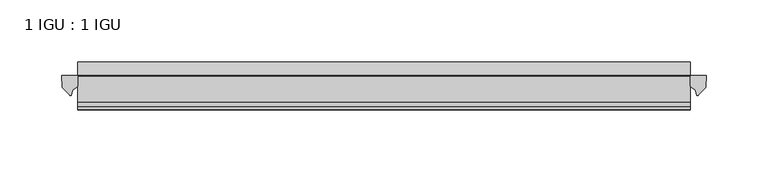
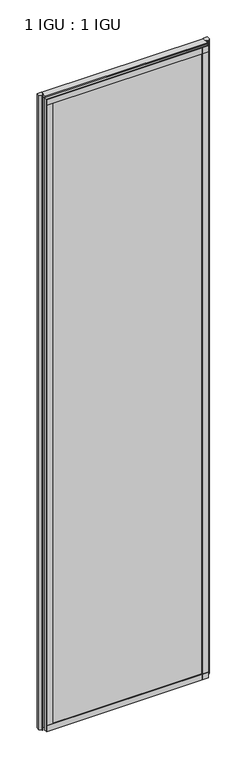
"""IFC4 building model written with IfcOpenShell, lengths in millimetres: plate geometry, 1 IGU : 1 IGU."""

import ifcopenshell
import ifcopenshell.guid

model = None  # the IFC model being written
_history = None  # IfcOwnerHistory: only IFC2X3 demands one
_inside = {}  # id of a spatial element -> (the spatial element, [elements in it])
_under = {}  # id of a project, library or spatial element -> (it, [spatial elements below it])
_declared = {}  # id of a project -> (the project, [libraries it declares])
_typed = {}  # id of a type object -> (the type object, [elements of that type])
_made_of = {}  # id of a material, layer set ... -> (it, [elements and type objects made of it])


def new_model(schema):
    """Start an empty IFC model of exactly this schema.

    Asked for "IFC4X3", IfcOpenShell would pick the latest addendum, in which some entities
    have other attributes; the version numbers below select the first issue.
    IFC2X3 requires an IfcOwnerHistory on every rooted entity: one is made here for all.
    """
    global model, _history
    if schema == "IFC4X3":
        model = ifcopenshell.file(schema_version=(4, 3, 0, 0))
    else:
        model = ifcopenshell.file(schema=schema)
    _inside.clear()
    _under.clear()
    _declared.clear()
    _typed.clear()
    _made_of.clear()
    _history = None
    if model.schema == "IFC2X3":
        org = make("IfcOrganization", Name="unknown")
        user = make(
            "IfcPersonAndOrganization",
            ThePerson=make("IfcPerson", FamilyName="unknown"),
            TheOrganization=org,
        )
        app = make(
            "IfcApplication",
            ApplicationDeveloper=org,
            Version="unknown",
            ApplicationFullName="unknown",
            ApplicationIdentifier="unknown",
        )
        _history = make(
            "IfcOwnerHistory",
            OwningUser=user,
            OwningApplication=app,
            ChangeAction="ADDED",
            CreationDate=0,
        )
    return model


def make(cls, **values):
    """One entity of the class cls with the attributes given. An attribute that is None is left unset."""
    return model.create_entity(
        cls, **{name: value for name, value in values.items() if value is not None}
    )


def rooted(cls, **values):
    """An entity with a GlobalId (a new one), such as an element, a storey or a relation."""
    return make(cls, GlobalId=ifcopenshell.guid.new(), OwnerHistory=_history, **values)


def si_unit(unit_type, name, prefix=None):
    """IfcSIUnit, for example si_unit("LENGTHUNIT", "METRE", prefix="MILLI")."""
    return make("IfcSIUnit", UnitType=unit_type, Prefix=prefix, Name=name)


def assignment(units):
    """IfcUnitAssignment: the units of a project."""
    return None if units is None else make("IfcUnitAssignment", Units=units)


def point(xyz):
    """IfcCartesianPoint."""
    return None if xyz is None else make("IfcCartesianPoint", Coordinates=xyz)


def direction(xyz):
    """IfcDirection."""
    return None if xyz is None else make("IfcDirection", DirectionRatios=xyz)


def frame(location, z_axis=None, x_axis=None):
    """IfcAxis2Placement3D, a coordinate frame: its origin and axes. An axis left out is left unset."""
    return make(
        "IfcAxis2Placement3D",
        Location=point(location),
        Axis=direction(z_axis),
        RefDirection=direction(x_axis),
    )


def frame_2d(location, x_axis=None):
    """IfcAxis2Placement2D, a coordinate frame in the plane: its origin and x axis."""
    return make(
        "IfcAxis2Placement2D", Location=point(location), RefDirection=direction(x_axis)
    )


def origin():
    """The frame at (0, 0, 0) with its axes left unset."""
    return frame((0.0, 0.0, 0.0))


def place(relative_to, where):
    """IfcLocalPlacement: puts the frame where relative to a parent placement (None: the world)."""
    return make(
        "IfcLocalPlacement", PlacementRelTo=relative_to, RelativePlacement=where
    )


def context(
    kind, dimensions, precision=None, world=None, true_north=None, identifier=None
):
    """IfcGeometricRepresentationContext, for example the 3D "Model" context."""
    return make(
        "IfcGeometricRepresentationContext",
        ContextIdentifier=identifier,
        ContextType=kind,
        CoordinateSpaceDimension=dimensions,
        Precision=precision,
        WorldCoordinateSystem=world,
        TrueNorth=true_north,
    )


def project(units=None, contexts=None):
    """IfcProject with its units and contexts."""
    return rooted(
        "IfcProject",
        Name="project",
        RepresentationContexts=contexts,
        UnitsInContext=assignment(units),
    )


def spatial(cls, under=None, at=None, **own):
    """A site, building, storey or space (cls), placed at a placement, below another one or the project."""
    s = rooted(cls, ObjectPlacement=at, **own)
    if under is not None:
        _under.setdefault(under.id(), (under, []))[1].append(s)
    return s


def polyline(points):
    """IfcPolyline through the points."""
    return make("IfcPolyline", Points=[point(p) for p in points])


def circle_curve(where, radius):
    """IfcCircle in the frame where."""
    return make("IfcCircle", Position=where, Radius=radius)


def ellipse_curve(where, semi_axis1, semi_axis2):
    """IfcEllipse in the frame where."""
    return make(
        "IfcEllipse", Position=where, SemiAxis1=semi_axis1, SemiAxis2=semi_axis2
    )


def trimmed(basis, trim1, trim2, sense, master):
    """IfcTrimmedCurve: the piece of a basis curve between two trims."""
    return make(
        "IfcTrimmedCurve",
        BasisCurve=basis,
        Trim1=trim1,
        Trim2=trim2,
        SenseAgreement=sense,
        MasterRepresentation=master,
    )


def segment(curve, same_sense, transition):
    """IfcCompositeCurveSegment."""
    return make(
        "IfcCompositeCurveSegment",
        Transition=transition,
        SameSense=same_sense,
        ParentCurve=curve,
    )


def composite_curve(segments, self_intersect=None):
    """IfcCompositeCurve: segments joined end to end."""
    return make("IfcCompositeCurve", Segments=segments, SelfIntersect=self_intersect)


def outline(outer, holes=None, kind="AREA"):
    """IfcArbitraryClosedProfileDef: a profile drawn as a closed curve; with holes, ...WithVoids."""
    if holes is None:
        return make("IfcArbitraryClosedProfileDef", ProfileType=kind, OuterCurve=outer)
    return make(
        "IfcArbitraryProfileDefWithVoids",
        ProfileType=kind,
        OuterCurve=outer,
        InnerCurves=holes,
    )


def extrude(swept, where, along, depth):
    """IfcExtrudedAreaSolid: the profile swept, set in the frame where, extruded along a direction by depth."""
    return make(
        "IfcExtrudedAreaSolid",
        SweptArea=swept,
        Position=where,
        ExtrudedDirection=direction(along),
        Depth=depth,
    )


def shape(context_of_items, identifier, shape_type, items):
    """IfcShapeRepresentation: the items that make up one representation, for example the "Body"."""
    return make(
        "IfcShapeRepresentation",
        ContextOfItems=context_of_items,
        RepresentationIdentifier=identifier,
        RepresentationType=shape_type,
        Items=items,
    )


def source(mapping_origin, context_of_items, identifier, shape_type, items):
    """IfcRepresentationMap: a shape defined once, which mapped items show again and again."""
    return make(
        "IfcRepresentationMap",
        MappingOrigin=mapping_origin,
        MappedRepresentation=shape(context_of_items, identifier, shape_type, items),
    )


def transform(
    local_origin,
    x_axis=None,
    y_axis=None,
    z_axis=None,
    scale=None,
    scale2=None,
    scale3=None,
    uniform=True,
):
    """IfcCartesianTransformationOperator3D, or its non-uniform kind. x_axis, y_axis, z_axis: its Axis1, 2, 3."""
    if uniform:
        return make(
            "IfcCartesianTransformationOperator3D",
            Axis1=direction(x_axis),
            Axis2=direction(y_axis),
            LocalOrigin=point(local_origin),
            Scale=scale,
            Axis3=direction(z_axis),
        )
    return make(
        "IfcCartesianTransformationOperator3DnonUniform",
        Axis1=direction(x_axis),
        Axis2=direction(y_axis),
        LocalOrigin=point(local_origin),
        Scale=scale,
        Axis3=direction(z_axis),
        Scale2=scale2,
        Scale3=scale3,
    )


def mapped(mapping_source, mapping_target):
    """IfcMappedItem: shows the shape of a source again, moved by a transform."""
    return make(
        "IfcMappedItem", MappingSource=mapping_source, MappingTarget=mapping_target
    )


def made_of(thing, what):
    """Note that an element or type object is made of a material, layer set ...; save() writes the relation."""
    if what is not None:
        _made_of.setdefault(what.id(), (what, []))[1].append(thing)
    return thing


def element(
    cls,
    number,
    at=None,
    inside=None,
    cuts=None,
    type_object=None,
    material=None,
    context=None,
    identifier="Body",
    shape_type=None,
    held_by="IfcProductDefinitionShape",
    body=None,
    shapes=None,
    **own,
):
    """One element of the class cls, such as IfcWall. Its Tag is "e" and its number.

    at: its placement. inside: the storey or other place that contains it. cuts: it is an
    opening in that element (IfcRelVoidsElement). A single representation is given by context,
    identifier, shape_type and body (its items); several are given by shapes. held_by: the class
    of the entity that holds the representations. save() writes the other relations.
    """
    e = rooted(cls, Tag="e%d" % number, ObjectPlacement=at, **own)
    if body is not None:
        shapes = [shape(context, identifier, shape_type, body)]
    if shapes is not None:
        e.Representation = make(held_by, Representations=shapes)
    if inside is not None:
        _inside.setdefault(inside.id(), (inside, []))[1].append(e)
    if cuts is not None:
        rooted(
            "IfcRelVoidsElement", RelatingBuildingElement=cuts, RelatedOpeningElement=e
        )
    if type_object is not None:
        _typed.setdefault(type_object.id(), (type_object, []))[1].append(e)
    return made_of(e, material)


def aggregate(whole, parts):
    """IfcRelAggregates: a whole, such as a stair, and the parts it consists of."""
    return rooted("IfcRelAggregates", RelatingObject=whole, RelatedObjects=parts)


def save(model, path):
    """Write the relations noted so far, then the file.

    IfcRelAggregates (storeys below a building ...), IfcRelContainedInSpatialStructure (elements
    in a storey), IfcRelDefinesByType, IfcRelAssociatesMaterial and IfcRelDeclares: one each for
    every whole, place, type object, material and project.
    """
    for whole, parts in _under.values():
        aggregate(whole, parts)
    for where, things in _inside.values():
        rooted(
            "IfcRelContainedInSpatialStructure",
            RelatedElements=things,
            RelatingStructure=where,
        )
    for kind, things in _typed.values():
        rooted("IfcRelDefinesByType", RelatedObjects=things, RelatingType=kind)
    for what, things in _made_of.values():
        rooted("IfcRelAssociatesMaterial", RelatedObjects=things, RelatingMaterial=what)
    for by, libraries in _declared.values():
        rooted("IfcRelDeclares", RelatingContext=by, RelatedDefinitions=libraries)
    model.write(path)


def plane_surface(at):
    """IfcPlane: the flat surface through the origin of the frame at, square to its z axis."""
    return make("IfcPlane", Position=at)


def cylinder_surface(at, radius):
    """IfcCylindricalSurface: all points at the distance radius from the z axis of the frame at."""
    return make("IfcCylindricalSurface", Position=at, Radius=radius)


def revolved_surface(curve, axis_point, axis_direction):
    """IfcSurfaceOfRevolution: the curve turned about the line through axis_point along axis_direction."""
    return make(
        "IfcSurfaceOfRevolution",
        SweptCurve=make("IfcArbitraryOpenProfileDef", ProfileType="CURVE", Curve=curve),
        AxisPosition=make("IfcAxis1Placement", Location=point(axis_point), Axis=direction(axis_direction)),
    )


def extruded_surface(curve, direction_of_extrusion, depth):
    """IfcSurfaceOfLinearExtrusion: the curve pushed along a direction by depth."""
    return make(
        "IfcSurfaceOfLinearExtrusion",
        SweptCurve=make("IfcArbitraryOpenProfileDef", ProfileType="CURVE", Curve=curve),
        ExtrudedDirection=direction(direction_of_extrusion),
        Depth=depth,
    )


def advanced_brep(points, edges, surfaces, faces):
    """IfcAdvancedBrep: a solid bounded by faces that lie on surfaces and meet in shared edges.

    An edge is (start, end): straight between two places in points (the first is 0);
    or (start, end, curve); or (start, end, curve, False) where it runs against its curve.
    A face is (place in surfaces, loops), or (place, loops, False) where it looks against
    its surface's normal. A loop lists edges by number (the first is 1), with a minus sign
    where the edge is run from its end to its start. The first loop is the outer one.
    """
    corners = [point(p) for p in points]
    vertices = [make("IfcVertexPoint", VertexGeometry=c) for c in corners]
    made = []
    for start, end, *more in edges:
        made.append(
            make(
                "IfcEdgeCurve",
                EdgeStart=vertices[start],
                EdgeEnd=vertices[end],
                EdgeGeometry=more[0] if more else make("IfcPolyline", Points=[corners[start], corners[end]]),
                SameSense=more[1] if len(more) > 1 else True,
            )
        )
    hull = []
    for where, loops, *sense in faces:
        bounds = []
        for j, loop in enumerate(loops):
            ring = [make("IfcOrientedEdge", EdgeElement=made[abs(k) - 1], Orientation=k > 0) for k in loop]
            bounds.append(
                make(
                    "IfcFaceOuterBound" if j == 0 else "IfcFaceBound",
                    Bound=make("IfcEdgeLoop", EdgeList=ring),
                    Orientation=True,
                )
            )
        hull.append(make("IfcAdvancedFace", Bounds=bounds, FaceSurface=surfaces[where], SameSense=sense[0] if sense else True))
    return make("IfcAdvancedBrep", Outer=make("IfcClosedShell", CfsFaces=hull))


def plate_1_igu_1_igu_2f054f9d(model_context):
    return source(origin(), model_context, "Body", "SolidModel", [
        extrude(outline(polyline([(187.0210103, -11.6085937), (187.0210103, -18.8576359), (-307.9686665, -18.8576359), (-307.9686665, -11.6085937), (187.0210103, -11.6085937)])), frame((0.0, 0.0, -19.05), z_axis=(0.0, 0.0, 1.0), x_axis=(1.0, 0.0, 0.0)), (0.0, 0.0, 1.0), 2038.3500001),
        extrude(outline(polyline([(-307.9686665, -30.7093937), (187.0210103, -30.7093937), (187.0210103, -37.0085937), (-307.9686665, -37.0085937), (-307.9686665, -30.7093937)])), frame((0.0, 0.0, -19.05), z_axis=(0.0, 0.0, 1.0), x_axis=(1.0, 0.0, 0.0)), (0.0, 0.0, 1.0), 2038.3500001),
        extrude(outline(composite_curve([segment(polyline([(200.0989194, -11.6101465), (199.7210103, -21.3502133), (193.782957, -27.6095865)]), True, "CONTINUOUS"), segment(trimmed(circle_curve(frame_2d((193.1101509, -27.2518492)), 0.762), [point((193.782957, -27.6095865))], [point((192.3814467, -27.4746364))], False, "CARTESIAN"), True, "CONTINUOUS"), segment(polyline([(192.3814467, -27.4746364), (191.1196122, -23.3488397)]), True, "CONTINUOUS"), segment(trimmed(circle_curve(frame_2d((193.3015693, -16.3834724)), 7.2991286), [point((191.1196122, -23.3488397))], [point((187.0211889, -20.1028944))], False, "CARTESIAN"), True, "CONTINUOUS"), segment(polyline([(187.0211889, -20.1028944), (187.0211889, -12.664425)]), True, "CONTINUOUS"), segment(trimmed(circle_curve(frame_2d((193.3024434, -16.3827796)), 7.2993369), [point((187.0211889, -12.664425))], [point((187.7795553, -11.6101465))], False, "CARTESIAN"), True, "CONTINUOUS"), segment(polyline([(187.7795553, -11.6101465), (200.0989194, -11.6101465)]), True, "CONTINUOUS")], self_intersect=False)), frame((0.0, 0.0, -19.05), z_axis=(0.0, 0.0, 1.0), x_axis=(1.0, 0.0, 0.0)), (0.0, 0.0, 1.0), 2045.4874001),
        extrude(outline(composite_curve([segment(polyline([(-307.9686665, -11.610702), (-307.9686665, -20.1014769)]), True, "CONTINUOUS"), segment(trimmed(circle_curve(frame_2d((-314.2498609, -16.3829847)), 7.2993552), [point((-307.9686665, -20.1014769))], [point((-312.0676163, -23.3484994))], False, "CARTESIAN"), True, "CONTINUOUS"), segment(polyline([(-312.0676163, -23.3484994), (-313.329103, -27.4746364)]), True, "CONTINUOUS"), segment(trimmed(circle_curve(frame_2d((-314.0578072, -27.2518492)), 0.762), [point((-313.329103, -27.4746364))], [point((-314.7306133, -27.6095865))], False, "CARTESIAN"), True, "CONTINUOUS"), segment(polyline([(-314.7306133, -27.6095865), (-320.6686665, -21.3502133), (-321.0465757, -11.610702), (-307.9686665, -11.610702)]), True, "CONTINUOUS")], self_intersect=False)), frame((0.0, 0.0, -19.05), z_axis=(0.0, 0.0, 1.0), x_axis=(1.0, 0.0, 0.0)), (0.0, 0.0, 1.0), 2045.4874001),
        extrude(outline(polyline([(-11.6085937, -15.24), (-11.6085937, 2.8161565), (-0.5298609, 1.2591422), (-0.5298609, -0.6645794), (-5.258589, 0.0), (-5.258589, -4.826), (-1.575589, -4.826), (-1.575589, -7.874), (-5.258589, -7.874), (-5.258589, -13.208), (-3.099589, -13.208), (-3.099589, -15.24), (-11.6085937, -15.24)])), frame((-307.9686665, 0.0, 0.0), z_axis=(1.0, 0.0, 0.0), x_axis=(0.0, 1.0, 0.0)), (0.0, 0.0, 1.0), 494.9896768),
        extrude(outline(polyline([(-307.9686665, -39.2945937), (-307.9686665, -37.0085937), (187.0210103, -37.0085937), (187.0210103, -39.2945937), (-307.9686665, -39.2945937)])), frame((0.0, 0.0, -19.05), z_axis=(0.0, 0.0, 1.0), x_axis=(1.0, 0.0, 0.0)), (0.0, 0.0, 1.0), 19.05),
        advanced_brep(
        [(-307.9686665, -24.3085937, 2018.1276629), (-307.9686665, -33.4116395, 2026.4374001), (-307.9686665, -12.7165288, 2026.4374001), (-307.9686665, -11.6085937, 2019.3000001), (-307.9686665, -17.9077937, 2019.3000001), (187.0210103, -24.3085937, 2018.1276629), (187.0210103, -17.9077937, 2019.3000001), (187.0210103, -11.6085937, 2019.3000001), (187.0210103, -12.7165288, 2026.4374001), (187.0210103, -33.4116395, 2026.4374001)],
        [
            (0, 1, ellipse_curve(frame((-307.9686665, -24.3085937, 2028.8250001), z_axis=(-1.0, 0.0, 0.0), x_axis=(0.0, 0.0, -1.0)), 10.6973372, 9.3386252)),
            (1, 2),
            (2, 3, circle_curve(frame((-307.9686665, 26.2083666, 2028.8250001), z_axis=(1.0, 0.0, 0.0), x_axis=(0.0, 0.0, -1.0)), 38.9980527)),
            (3, 4),
            (4, 0, circle_curve(frame((-307.9686665, -24.3085937, 2036.1875764), z_axis=(-1.0, 0.0, 0.0), x_axis=(0.0, 0.0, -1.0)), 18.0599135)),
            (5, 6, circle_curve(frame((187.0210103, -24.3085937, 2036.1875764), z_axis=(1.0, 0.0, 0.0), x_axis=(0.0, 0.0, -1.0)), 18.0599135)),
            (6, 7),
            (7, 8, circle_curve(frame((187.0210103, 26.2083666, 2028.8250001), z_axis=(-1.0, 0.0, 0.0), x_axis=(0.0, 0.0, -1.0)), 38.9980527)),
            (8, 9),
            (9, 5, ellipse_curve(frame((187.0210103, -24.3085937, 2028.8250001), z_axis=(1.0, 0.0, 0.0), x_axis=(0.0, 0.0, -1.0)), 10.6973372, 9.3386252)),
            (0, 5),
            (9, 1),
            (8, 2),
            (7, 3),
            (6, 4),
        ],
        [
            plane_surface(frame((-307.9686665, -9.2273437, 2028.8250001), z_axis=(-1.0, 0.0, 0.0), x_axis=(0.0, 1.0, 0.0))),
            plane_surface(frame((187.0210103, -9.2273438, 2028.8250001), z_axis=(1.0, 0.0, 0.0), x_axis=(0.0, 1.0, 0.0))),
            extruded_surface(trimmed(ellipse_curve(frame((187.0210103, -24.3085937, 2028.8250001), z_axis=(-1.0, 0.0, 0.0), x_axis=(0.0, 0.0, -1.0)), 10.6973372, 9.3386252), [point((187.0210103, -24.3085937, 2018.1276629))], [point((187.0210103, -33.4116395, 2026.4374001))], True, "CARTESIAN"), (-494.9896768, 0.0, 0.0), 494.9896768),
            plane_surface(frame((-307.9686665, -33.4116395, 2026.4374001), z_axis=(0.0, 0.0, 1.0), x_axis=(1.0, 0.0, 0.0))),
            revolved_surface(polyline([(187.0210103, 26.2083666, 1989.8269473999999), (-307.9686665, 26.2083666, 1989.8269473999999)]), (-307.9686665, 26.2083666, 2028.8250001), (1.0, 0.0, 0.0)),
            plane_surface(frame((-307.9686665, -11.6085937, 2019.3000001), z_axis=(0.0, 0.0, -1.0), x_axis=(1.0, 0.0, 0.0))),
            cylinder_surface(frame((-307.9686665, -24.3085937, 2036.1875764), z_axis=(-1.0, 0.0, 0.0), x_axis=(0.0, 0.0, -1.0)), 18.0599135),
        ],
        [
            (0, [[1, 2, 3, 4, 5]]),
            (1, [[6, 7, 8, 9, 10]]),
            (2, [[-1, 11, -10, 12]]),
            (3, [[-2, -12, -9, 13]]),
            (4, [[-3, -13, -8, 14]]),
            (5, [[-4, -14, -7, 15]]),
            (6, [[-5, -15, -6, -11]]),
        ],
    ),
        extrude(outline(polyline([(-307.9686665, -39.2945937), (-307.9686665, -37.0085937), (187.0210103, -37.0085937), (187.0210103, -39.2945937), (-307.9686665, -39.2945937)])), frame((0.0, 0.0, 2000.2500001), z_axis=(0.0, 0.0, 1.0), x_axis=(1.0, 0.0, 0.0)), (0.0, 0.0, 1.0), 19.05),
        extrude(outline(polyline([(167.9710103, -37.0085937), (187.0210103, -37.0085937), (187.0210103, -39.2945938), (167.9710103, -39.2945938), (167.9710103, -37.0085937)])), frame((0.0, 0.0, -19.05), z_axis=(0.0, 0.0, 1.0), x_axis=(1.0, 0.0, 0.0)), (0.0, 0.0, 1.0), 2038.3500001),
        extrude(outline(polyline([(-307.9686665, -39.2945937), (-307.9686665, -37.0085937), (-288.9186665, -37.0085937), (-288.9186665, -39.2945937), (-307.9686665, -39.2945937)])), frame((0.0, 0.0, -19.05), z_axis=(0.0, 0.0, 1.0), x_axis=(1.0, 0.0, 0.0)), (0.0, 0.0, 1.0), 2038.3500001),
    ])


if __name__ == "__main__":
    model = new_model("IFC4")
    model_context = context("Model", 3, world=origin())
    ifc_project = project(units=[si_unit("LENGTHUNIT", "METRE", prefix="MILLI")], contexts=[model_context])
    site = spatial("IfcSite", under=ifc_project)
    building = spatial("IfcBuilding", under=site)
    placement = place(None, origin())
    plate_1_igu_1_igu_shape = plate_1_igu_1_igu_2f054f9d(model_context)
    element("IfcPlate", 1, ObjectType="1 IGU : 1 IGU", at=placement, inside=building, context=model_context, shape_type="MappedRepresentation", body=[
        mapped(plate_1_igu_1_igu_shape, transform((0.0, 0.0, 0.0), x_axis=(1.0, 0.0, 0.0), y_axis=(0.0, 1.0, 0.0), z_axis=(0.0, 0.0, 1.0))),
    ])
    save(model, "model.ifc")
